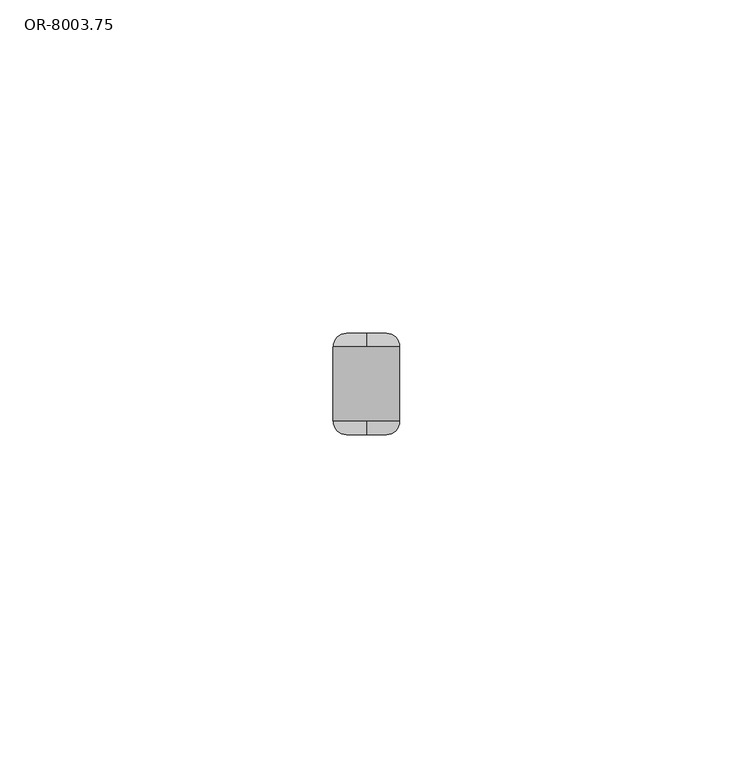
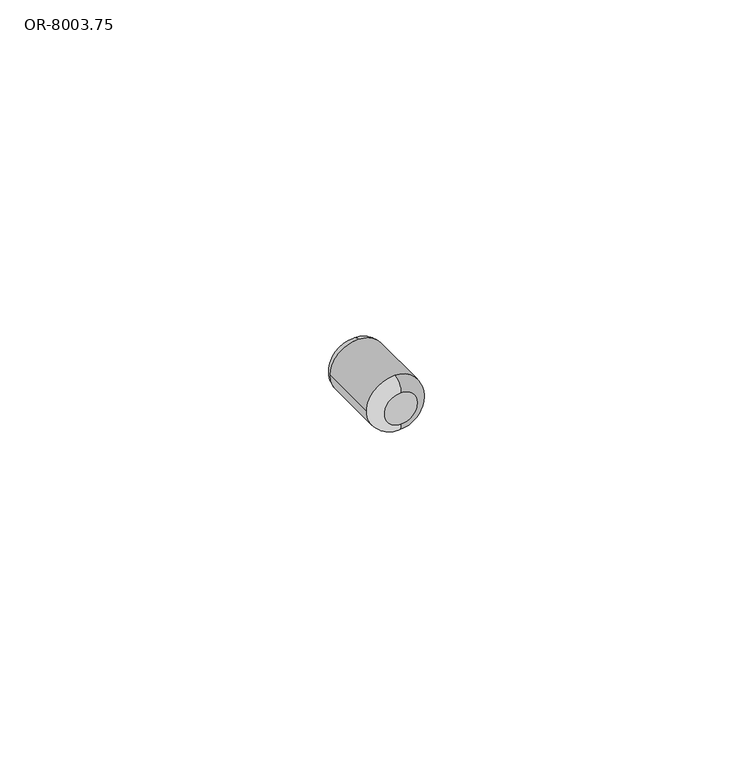
"""IFC4 building model written with IfcOpenShell, lengths in millimetres: proxy geometry, OR-8003.75."""

import ifcopenshell
import ifcopenshell.guid

model = None  # the IFC model being written
_history = None  # IfcOwnerHistory: only IFC2X3 demands one
_inside = {}  # id of a spatial element -> (the spatial element, [elements in it])
_under = {}  # id of a project, library or spatial element -> (it, [spatial elements below it])
_declared = {}  # id of a project -> (the project, [libraries it declares])
_typed = {}  # id of a type object -> (the type object, [elements of that type])
_made_of = {}  # id of a material, layer set ... -> (it, [elements and type objects made of it])


def new_model(schema):
    """Start an empty IFC model of exactly this schema.

    Asked for "IFC4X3", IfcOpenShell would pick the latest addendum, in which some entities
    have other attributes; the version numbers below select the first issue.
    IFC2X3 requires an IfcOwnerHistory on every rooted entity: one is made here for all.
    """
    global model, _history
    if schema == "IFC4X3":
        model = ifcopenshell.file(schema_version=(4, 3, 0, 0))
    else:
        model = ifcopenshell.file(schema=schema)
    _inside.clear()
    _under.clear()
    _declared.clear()
    _typed.clear()
    _made_of.clear()
    _history = None
    if model.schema == "IFC2X3":
        org = make("IfcOrganization", Name="unknown")
        user = make(
            "IfcPersonAndOrganization",
            ThePerson=make("IfcPerson", FamilyName="unknown"),
            TheOrganization=org,
        )
        app = make(
            "IfcApplication",
            ApplicationDeveloper=org,
            Version="unknown",
            ApplicationFullName="unknown",
            ApplicationIdentifier="unknown",
        )
        _history = make(
            "IfcOwnerHistory",
            OwningUser=user,
            OwningApplication=app,
            ChangeAction="ADDED",
            CreationDate=0,
        )
    return model


def make(cls, **values):
    """One entity of the class cls with the attributes given. An attribute that is None is left unset."""
    return model.create_entity(
        cls, **{name: value for name, value in values.items() if value is not None}
    )


def rooted(cls, **values):
    """An entity with a GlobalId (a new one), such as an element, a storey or a relation."""
    return make(cls, GlobalId=ifcopenshell.guid.new(), OwnerHistory=_history, **values)


def si_unit(unit_type, name, prefix=None):
    """IfcSIUnit, for example si_unit("LENGTHUNIT", "METRE", prefix="MILLI")."""
    return make("IfcSIUnit", UnitType=unit_type, Prefix=prefix, Name=name)


def assignment(units):
    """IfcUnitAssignment: the units of a project."""
    return None if units is None else make("IfcUnitAssignment", Units=units)


def point(xyz):
    """IfcCartesianPoint."""
    return None if xyz is None else make("IfcCartesianPoint", Coordinates=xyz)


def direction(xyz):
    """IfcDirection."""
    return None if xyz is None else make("IfcDirection", DirectionRatios=xyz)


def frame(location, z_axis=None, x_axis=None):
    """IfcAxis2Placement3D, a coordinate frame: its origin and axes. An axis left out is left unset."""
    return make(
        "IfcAxis2Placement3D",
        Location=point(location),
        Axis=direction(z_axis),
        RefDirection=direction(x_axis),
    )


def origin():
    """The frame at (0, 0, 0) with its axes left unset."""
    return frame((0.0, 0.0, 0.0))


def place(relative_to, where):
    """IfcLocalPlacement: puts the frame where relative to a parent placement (None: the world)."""
    return make(
        "IfcLocalPlacement", PlacementRelTo=relative_to, RelativePlacement=where
    )


def context(
    kind, dimensions, precision=None, world=None, true_north=None, identifier=None
):
    """IfcGeometricRepresentationContext, for example the 3D "Model" context."""
    return make(
        "IfcGeometricRepresentationContext",
        ContextIdentifier=identifier,
        ContextType=kind,
        CoordinateSpaceDimension=dimensions,
        Precision=precision,
        WorldCoordinateSystem=world,
        TrueNorth=true_north,
    )


def project(units=None, contexts=None):
    """IfcProject with its units and contexts."""
    return rooted(
        "IfcProject",
        Name="project",
        RepresentationContexts=contexts,
        UnitsInContext=assignment(units),
    )


def spatial(cls, under=None, at=None, **own):
    """A site, building, storey or space (cls), placed at a placement, below another one or the project."""
    s = rooted(cls, ObjectPlacement=at, **own)
    if under is not None:
        _under.setdefault(under.id(), (under, []))[1].append(s)
    return s


def circle_curve(where, radius):
    """IfcCircle in the frame where."""
    return make("IfcCircle", Position=where, Radius=radius)


def ellipse_curve(where, semi_axis1, semi_axis2):
    """IfcEllipse in the frame where."""
    return make(
        "IfcEllipse", Position=where, SemiAxis1=semi_axis1, SemiAxis2=semi_axis2
    )


def trimmed(basis, trim1, trim2, sense, master):
    """IfcTrimmedCurve: the piece of a basis curve between two trims."""
    return make(
        "IfcTrimmedCurve",
        BasisCurve=basis,
        Trim1=trim1,
        Trim2=trim2,
        SenseAgreement=sense,
        MasterRepresentation=master,
    )


def shape(context_of_items, identifier, shape_type, items):
    """IfcShapeRepresentation: the items that make up one representation, for example the "Body"."""
    return make(
        "IfcShapeRepresentation",
        ContextOfItems=context_of_items,
        RepresentationIdentifier=identifier,
        RepresentationType=shape_type,
        Items=items,
    )


def source(mapping_origin, context_of_items, identifier, shape_type, items):
    """IfcRepresentationMap: a shape defined once, which mapped items show again and again."""
    return make(
        "IfcRepresentationMap",
        MappingOrigin=mapping_origin,
        MappedRepresentation=shape(context_of_items, identifier, shape_type, items),
    )


def transform(
    local_origin,
    x_axis=None,
    y_axis=None,
    z_axis=None,
    scale=None,
    scale2=None,
    scale3=None,
    uniform=True,
):
    """IfcCartesianTransformationOperator3D, or its non-uniform kind. x_axis, y_axis, z_axis: its Axis1, 2, 3."""
    if uniform:
        return make(
            "IfcCartesianTransformationOperator3D",
            Axis1=direction(x_axis),
            Axis2=direction(y_axis),
            LocalOrigin=point(local_origin),
            Scale=scale,
            Axis3=direction(z_axis),
        )
    return make(
        "IfcCartesianTransformationOperator3DnonUniform",
        Axis1=direction(x_axis),
        Axis2=direction(y_axis),
        LocalOrigin=point(local_origin),
        Scale=scale,
        Axis3=direction(z_axis),
        Scale2=scale2,
        Scale3=scale3,
    )


def mapped(mapping_source, mapping_target):
    """IfcMappedItem: shows the shape of a source again, moved by a transform."""
    return make(
        "IfcMappedItem", MappingSource=mapping_source, MappingTarget=mapping_target
    )


def made_of(thing, what):
    """Note that an element or type object is made of a material, layer set ...; save() writes the relation."""
    if what is not None:
        _made_of.setdefault(what.id(), (what, []))[1].append(thing)
    return thing


def element(
    cls,
    number,
    at=None,
    inside=None,
    cuts=None,
    type_object=None,
    material=None,
    context=None,
    identifier="Body",
    shape_type=None,
    held_by="IfcProductDefinitionShape",
    body=None,
    shapes=None,
    **own,
):
    """One element of the class cls, such as IfcWall. Its Tag is "e" and its number.

    at: its placement. inside: the storey or other place that contains it. cuts: it is an
    opening in that element (IfcRelVoidsElement). A single representation is given by context,
    identifier, shape_type and body (its items); several are given by shapes. held_by: the class
    of the entity that holds the representations. save() writes the other relations.
    """
    e = rooted(cls, Tag="e%d" % number, ObjectPlacement=at, **own)
    if body is not None:
        shapes = [shape(context, identifier, shape_type, body)]
    if shapes is not None:
        e.Representation = make(held_by, Representations=shapes)
    if inside is not None:
        _inside.setdefault(inside.id(), (inside, []))[1].append(e)
    if cuts is not None:
        rooted(
            "IfcRelVoidsElement", RelatingBuildingElement=cuts, RelatedOpeningElement=e
        )
    if type_object is not None:
        _typed.setdefault(type_object.id(), (type_object, []))[1].append(e)
    return made_of(e, material)


def aggregate(whole, parts):
    """IfcRelAggregates: a whole, such as a stair, and the parts it consists of."""
    return rooted("IfcRelAggregates", RelatingObject=whole, RelatedObjects=parts)


def save(model, path):
    """Write the relations noted so far, then the file.

    IfcRelAggregates (storeys below a building ...), IfcRelContainedInSpatialStructure (elements
    in a storey), IfcRelDefinesByType, IfcRelAssociatesMaterial and IfcRelDeclares: one each for
    every whole, place, type object, material and project.
    """
    for whole, parts in _under.values():
        aggregate(whole, parts)
    for where, things in _inside.values():
        rooted(
            "IfcRelContainedInSpatialStructure",
            RelatedElements=things,
            RelatingStructure=where,
        )
    for kind, things in _typed.values():
        rooted("IfcRelDefinesByType", RelatedObjects=things, RelatingType=kind)
    for what, things in _made_of.values():
        rooted("IfcRelAssociatesMaterial", RelatedObjects=things, RelatingMaterial=what)
    for by, libraries in _declared.values():
        rooted("IfcRelDeclares", RelatingContext=by, RelatedDefinitions=libraries)
    model.write(path)


def plane_surface(at):
    """IfcPlane: the flat surface through the origin of the frame at, square to its z axis."""
    return make("IfcPlane", Position=at)


def cylinder_surface(at, radius):
    """IfcCylindricalSurface: all points at the distance radius from the z axis of the frame at."""
    return make("IfcCylindricalSurface", Position=at, Radius=radius)


def revolved_surface(curve, axis_point, axis_direction):
    """IfcSurfaceOfRevolution: the curve turned about the line through axis_point along axis_direction."""
    return make(
        "IfcSurfaceOfRevolution",
        SweptCurve=make("IfcArbitraryOpenProfileDef", ProfileType="CURVE", Curve=curve),
        AxisPosition=make("IfcAxis1Placement", Location=point(axis_point), Axis=direction(axis_direction)),
    )


def advanced_brep(points, edges, surfaces, faces):
    """IfcAdvancedBrep: a solid bounded by faces that lie on surfaces and meet in shared edges.

    An edge is (start, end): straight between two places in points (the first is 0);
    or (start, end, curve); or (start, end, curve, False) where it runs against its curve.
    A face is (place in surfaces, loops), or (place, loops, False) where it looks against
    its surface's normal. A loop lists edges by number (the first is 1), with a minus sign
    where the edge is run from its end to its start. The first loop is the outer one.
    """
    corners = [point(p) for p in points]
    vertices = [make("IfcVertexPoint", VertexGeometry=c) for c in corners]
    made = []
    for start, end, *more in edges:
        made.append(
            make(
                "IfcEdgeCurve",
                EdgeStart=vertices[start],
                EdgeEnd=vertices[end],
                EdgeGeometry=more[0] if more else make("IfcPolyline", Points=[corners[start], corners[end]]),
                SameSense=more[1] if len(more) > 1 else True,
            )
        )
    hull = []
    for where, loops, *sense in faces:
        bounds = []
        for j, loop in enumerate(loops):
            ring = [make("IfcOrientedEdge", EdgeElement=made[abs(k) - 1], Orientation=k > 0) for k in loop]
            bounds.append(
                make(
                    "IfcFaceOuterBound" if j == 0 else "IfcFaceBound",
                    Bound=make("IfcEdgeLoop", EdgeList=ring),
                    Orientation=True,
                )
            )
        hull.append(make("IfcAdvancedFace", Bounds=bounds, FaceSurface=surfaces[where], SameSense=sense[0] if sense else True))
    return make("IfcAdvancedBrep", Outer=make("IfcClosedShell", CfsFaces=hull))


def or_8003_75_3816d630(model_context):
    return source(origin(), model_context, "Body", "AdvancedBrep", [
        advanced_brep(
        [(0.0, -7.6, 26.5), (0.0, -7.6, 32.5), (0.0, -5.6, 34.5), (-5.0, -5.6, 29.5), (0.0, -5.6, 24.5), (5.0, -5.6, 29.5), (0.0, 7.6, 32.5), (0.0, 7.6, 26.5), (-2.2307101, 7.6, 28.902283), (-0.597717, 7.6, 27.2692899), (1.6329932, 7.6, 27.8670068), (2.2307101, 7.6, 30.097717), (0.597717, 7.6, 31.7307101), (-1.6329932, 7.6, 31.1329932), (-5.0, 5.600004, 29.5), (0.0, 5.6, 24.5), (5.0, 5.6, 29.5), (0.0, 5.6, 34.5), (-1.6329932, 5.6, 31.1329932), (0.597717, 5.6, 31.7307101), (2.2307101, 5.6, 30.097717), (1.6329932, 5.6, 27.8670068), (-0.597717, 5.6, 27.2692899), (-2.2307101, 5.6, 28.902283)],
        [
            (0, 1, circle_curve(frame((0.0, -7.6, 29.5), z_axis=(0.0, 1.0, 0.0), x_axis=(0.0, 0.0, 1.0)), 3.0)),
            (1, 2, circle_curve(frame((0.0, -5.6, 32.5), z_axis=(-1.0, 0.0, 0.0), x_axis=(0.0, -1.0, 0.0)), 2.0)),
            (2, 3, circle_curve(frame((0.0, -5.6, 29.5), z_axis=(0.0, -1.0, 0.0), x_axis=(0.0, 0.0, 1.0)), 5.0)),
            (3, 4, circle_curve(frame((0.0, -5.6, 29.5), z_axis=(0.0, -1.0, 0.0), x_axis=(0.0, 0.0, 1.0)), 5.0)),
            (4, 0, circle_curve(frame((0.0, -5.6, 26.5), z_axis=(-1.0, 0.0, 0.0), x_axis=(0.0, -1.0, 0.0)), 2.0)),
            (4, 5, circle_curve(frame((0.0, -5.6, 29.5), z_axis=(0.0, -1.0, 0.0), x_axis=(0.0, 0.0, 1.0)), 5.0)),
            (5, 2, circle_curve(frame((0.0, -5.6, 29.5), z_axis=(0.0, -1.0, 0.0), x_axis=(0.0, 0.0, 1.0)), 5.0)),
            (1, 0, circle_curve(frame((0.0, -7.6, 29.5), z_axis=(0.0, 1.0, 0.0), x_axis=(0.0, 0.0, 1.0)), 3.0)),
            (6, 7, circle_curve(frame((0.0, 7.6, 29.5), z_axis=(0.0, 1.0, 0.0), x_axis=(0.0, 0.0, 1.0)), 3.0)),
            (7, 6, circle_curve(frame((0.0, 7.6, 29.5), z_axis=(0.0, 1.0, 0.0), x_axis=(0.0, 0.0, 1.0)), 3.0)),
            (8, 9),
            (9, 10),
            (10, 11),
            (11, 12),
            (12, 13),
            (13, 8),
            (3, 14),
            (14, 15, circle_curve(frame((0.0, 5.6, 29.5), z_axis=(0.0, -1.0, 0.0), x_axis=(1.0, 0.0, 0.0)), 5.0)),
            (15, 16, circle_curve(frame((0.0, 5.6, 29.5), z_axis=(0.0, -1.0, 0.0), x_axis=(1.0, 0.0, 0.0)), 5.0)),
            (16, 5),
            (16, 17, circle_curve(frame((0.0, 5.6, 29.5), z_axis=(0.0, -1.0, 0.0), x_axis=(1.0, 0.0, 0.0)), 5.0)),
            (17, 14, circle_curve(frame((0.0, 5.6, 29.5), z_axis=(0.0, -1.0, 0.0), x_axis=(1.0, 0.0, 0.0)), 5.0)),
            (17, 6, circle_curve(frame((0.0, 5.6, 32.5), z_axis=(-1.0, 0.0, 0.0), x_axis=(0.0, 1.0, 0.0)), 2.0)),
            (7, 15, circle_curve(frame((0.0, 5.6, 26.5), z_axis=(-1.0, 0.0, 0.0), x_axis=(0.0, 1.0, 0.0)), 2.0)),
            (18, 19),
            (19, 20),
            (20, 21),
            (21, 22),
            (22, 23),
            (23, 18),
            (23, 8),
            (13, 18),
            (22, 9),
            (21, 10),
            (20, 11),
            (19, 12),
        ],
        [
            revolved_surface(trimmed(ellipse_curve(frame((0.0, -5.6, 32.5), z_axis=(-1.0, 0.0, 0.0), x_axis=(0.0, -1.0, 0.0)), 2.0, 2.0), [point((0.0, -7.6, 32.5))], [point((0.0, -5.6, 34.5))], True, "CARTESIAN"), (0.0, -5.6, 29.5), (0.0, 1.0, 0.0)),
            plane_surface(frame((5.0, 7.6, 29.5), z_axis=(0.0, 1.0, 0.0), x_axis=(0.0, 0.0, 1.0))),
            plane_surface(frame((5.0, -7.6, 29.5), z_axis=(0.0, -1.0, 0.0), x_axis=(0.0, 0.0, -1.0))),
            cylinder_surface(frame((0.0, -7.6, 29.5), z_axis=(0.0, 1.0, 0.0), x_axis=(1.0, 0.0, 0.0)), 5.0),
            revolved_surface(trimmed(ellipse_curve(frame((0.0, 5.6, 32.5), z_axis=(-1.0, 0.0, 0.0), x_axis=(0.0, 1.0, 0.0)), 2.0, 2.0), [point((0.0, 5.6, 34.5))], [point((0.0, 7.6, 32.5))], True, "CARTESIAN"), (0.0, 5.6, 29.5), (0.0, 1.0, 0.0)),
            plane_surface(frame((-1.6329932, 5.6, 31.1329932), z_axis=(0.0, 1.0, 0.0), x_axis=(0.2588190451000276, 0.0, 0.9659258262897363))),
            plane_surface(frame((-1.6329932, 7.6, 31.1329932), z_axis=(0.9659258262897363, 0.0, -0.2588190451000276), x_axis=(0.0, -1.0, 0.0))),
            plane_surface(frame((-2.2307101, 7.6, 28.902283), z_axis=(0.7071067811847245, 0.0, 0.7071067811883706), x_axis=(0.0, -1.0, 0.0))),
            plane_surface(frame((-0.597717, 7.6, 27.2692899), z_axis=(-0.2588190451050086, 0.0, 0.9659258262884017), x_axis=(0.0, -1.0, 0.0))),
            plane_surface(frame((1.6329932, 7.6, 27.8670068), z_axis=(-0.9659258262897347, 0.0, 0.258819045100034), x_axis=(0.0, -1.0, 0.0))),
            plane_surface(frame((2.2307101, 7.6, 30.097717), z_axis=(-0.7071067811847253, 0.0, -0.7071067811883698), x_axis=(0.0, -1.0, 0.0))),
            plane_surface(frame((0.597717, 7.6, 31.7307101), z_axis=(0.2588190451050096, 0.0, -0.9659258262884014), x_axis=(0.0, -1.0, 0.0))),
        ],
        [
            (0, [[1, 2, 3, 4, 5]]),
            (0, [[6, 7, -2, 8, -5]]),
            (1, [[9, 10], [11, 12, 13, 14, 15, 16]]),
            (2, [[-8, -1]]),
            (3, [[17, 18, 19, 20, -6, -4]]),
            (3, [[-7, -20, 21, 22, -17, -3]]),
            (4, [[-18, -22, 23, -10, 24]]),
            (4, [[-9, -23, -21, -19, -24]]),
            (5, [[25, 26, 27, 28, 29, 30]]),
            (6, [[31, -16, 32, -30]]),
            (7, [[33, -11, -31, -29]]),
            (8, [[34, -12, -33, -28]]),
            (9, [[35, -13, -34, -27]]),
            (10, [[36, -14, -35, -26]]),
            (11, [[-32, -15, -36, -25]]),
        ],
    ),
    ])


if __name__ == "__main__":
    model = new_model("IFC4")
    model_context = context("Model", 3, world=origin())
    ifc_project = project(units=[si_unit("LENGTHUNIT", "METRE", prefix="MILLI")], contexts=[model_context])
    site = spatial("IfcSite", under=ifc_project)
    building = spatial("IfcBuilding", under=site)
    placement = place(None, origin())
    or_8003_75_shape = or_8003_75_3816d630(model_context)
    element("IfcBuildingElementProxy", 1, Name="OR-8003.75", ObjectType="OR-8003.75", at=placement, inside=building, context=model_context, shape_type="MappedRepresentation", body=[
        mapped(or_8003_75_shape, transform((0.0, 0.0, 0.0), x_axis=(1.0, 0.0, 0.0), y_axis=(0.0, 1.0, 0.0), z_axis=(0.0, 0.0, 1.0))),
    ])
    save(model, "model.ifc")
